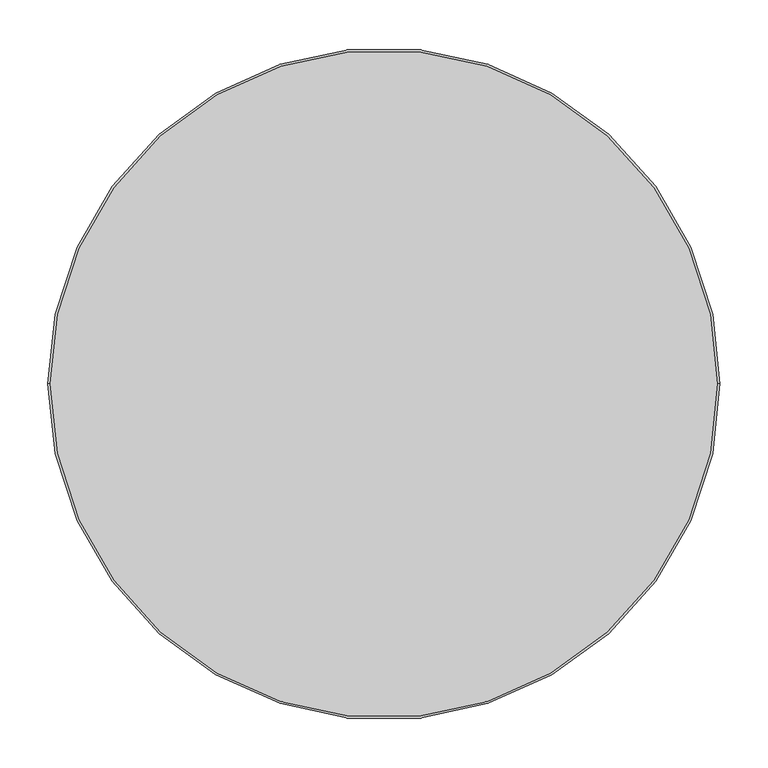
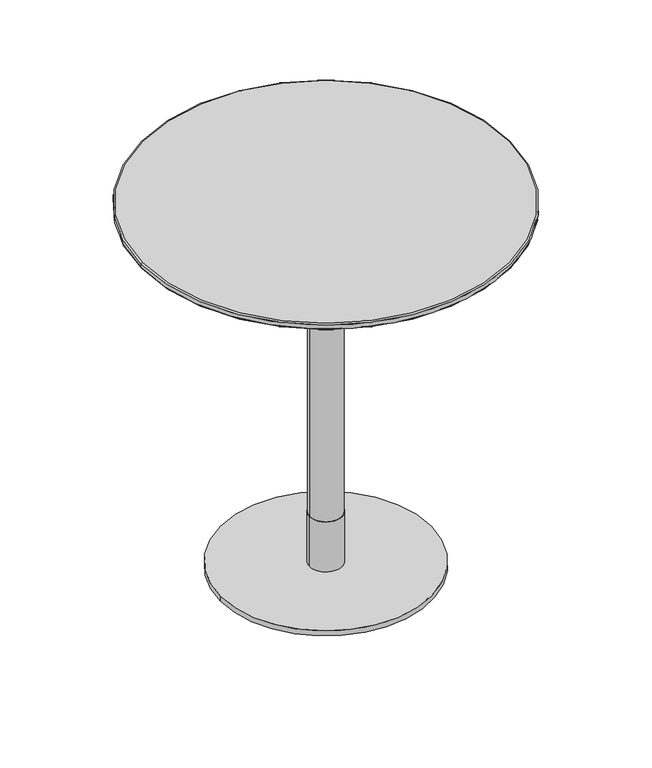
"""IFC4 building model written with IfcOpenShell, lengths in millimetres: furniture geometry."""

from ifc_helpers import new_model, si_unit, point, frame, origin, origin_with_axes, origin_2d, place, context, project, spatial, polyline, circle_curve, ellipse_curve, trimmed, segment, composite_curve, outline, extrude, source, transform, mapped, element, save
from ifc_brep_helpers import plane_surface, cylinder_surface, revolved_surface, advanced_brep


def furniture_d5dfe85c(model_context):
    return source(origin(), model_context, "Body", "SolidModel", [
        advanced_brep(
        [(348.6840403, 0.0, 718.2400004), (350.0, 0.0, 720.1193857), (-350.0, 0.0, 720.1193857), (-348.6840403, 0.0, 718.2400004), (350.0, 0.0, 728.0), (348.0, 0.0, 730.0), (-348.0, 0.0, 730.0), (-350.0, 0.0, 728.0)],
        [
            (0, 1, circle_curve(frame((348.0, 0.0, 720.1193857), z_axis=(0.0, -1.0, 0.0), x_axis=(-1.0, 0.0, 0.0)), 2.0)),
            (1, 2, circle_curve(frame((0.0, 0.0, 720.1193857), z_axis=(0.0, 0.0, -1.0), x_axis=(-1.0, 0.0, 0.0)), 350.0)),
            (2, 3, circle_curve(frame((-348.0, 0.0, 720.1193857), z_axis=(0.0, -1.0, 0.0), x_axis=(1.0, 0.0, 0.0)), 2.0)),
            (3, 0, circle_curve(frame((0.0, 0.0, 718.2400004), z_axis=(0.0, 0.0, 1.0), x_axis=(-1.0, 0.0, 0.0)), 348.6840403)),
            (4, 5, circle_curve(frame((348.0, 0.0, 728.0), z_axis=(0.0, -1.0, 0.0), x_axis=(-1.0, 0.0, 0.0)), 2.0)),
            (5, 6, circle_curve(frame((0.0, 0.0, 730.0), z_axis=(0.0, 0.0, -1.0), x_axis=(-1.0, 0.0, 0.0)), 348.0)),
            (6, 7, circle_curve(frame((-348.0, 0.0, 728.0), z_axis=(0.0, -1.0, 0.0), x_axis=(1.0, 0.0, 0.0)), 2.0)),
            (7, 4, circle_curve(frame((0.0, 0.0, 728.0), z_axis=(0.0, 0.0, 1.0), x_axis=(-1.0, 0.0, 0.0)), 350.0)),
            (0, 3, circle_curve(frame((0.0, 0.0, 718.2400004), z_axis=(0.0, 0.0, 1.0), x_axis=(1.0, 0.0, 0.0)), 348.6840403)),
            (2, 1, circle_curve(frame((0.0, 0.0, 720.1193857), z_axis=(0.0, 0.0, -1.0), x_axis=(1.0, 0.0, 0.0)), 350.0)),
            (4, 7, circle_curve(frame((0.0, 0.0, 728.0), z_axis=(0.0, 0.0, 1.0), x_axis=(1.0, 0.0, 0.0)), 350.0)),
            (6, 5, circle_curve(frame((0.0, 0.0, 730.0), z_axis=(0.0, 0.0, -1.0), x_axis=(1.0, 0.0, 0.0)), 348.0)),
            (7, 2),
            (1, 4),
        ],
        [
            revolved_surface(trimmed(ellipse_curve(frame((-348.0, 0.0, 720.1193857), z_axis=(0.0, 1.0, 0.0), x_axis=(1.0, 0.0, 0.0)), 2.0, 2.0), [point((-348.6840403, 0.0, 718.2400004))], [point((-350.0, 0.0, 720.1193857))], True, "CARTESIAN"), (0.0, 0.0, 0.0), (0.0, 0.0, 1.0)),
            revolved_surface(trimmed(ellipse_curve(frame((-348.0, 0.0, 728.0), z_axis=(0.0, 1.0, 0.0), x_axis=(1.0, 0.0, 0.0)), 2.0, 2.0), [point((-350.0, 0.0, 728.0))], [point((-348.0, 0.0, 730.0))], True, "CARTESIAN"), (0.0, 0.0, 0.0), (0.0, 0.0, 1.0)),
            revolved_surface(trimmed(ellipse_curve(frame((348.0, 0.0, 720.1193857), z_axis=(0.0, -1.0, 0.0), x_axis=(-1.0, 0.0, 0.0)), 2.0, 2.0), [point((348.6840403, 0.0, 718.2400004))], [point((350.0, 0.0, 720.1193857))], True, "CARTESIAN"), (0.0, 0.0, 0.0), (0.0, 0.0, 1.0)),
            revolved_surface(trimmed(ellipse_curve(frame((348.0, 0.0, 728.0), z_axis=(0.0, -1.0, 0.0), x_axis=(-1.0, 0.0, 0.0)), 2.0, 2.0), [point((350.0, 0.0, 728.0))], [point((348.0, 0.0, 730.0))], True, "CARTESIAN"), (0.0, 0.0, 0.0), (0.0, 0.0, 1.0)),
            plane_surface(frame((350.0, 0.0, 730.0), z_axis=(0.0, 0.0, 1.0), x_axis=(0.0, 1.0, 0.0))),
            plane_surface(frame((350.0, 0.0, 718.2400004), z_axis=(0.0, 0.0, -1.0), x_axis=(0.0, -1.0, 0.0))),
            cylinder_surface(frame((0.0, 0.0, 718.2400004), z_axis=(0.0, 0.0, 1.0), x_axis=(1.0, 0.0, 0.0)), 350.0),
        ],
        [
            (0, [[1, 2, 3, 4]]),
            (1, [[5, 6, 7, 8]]),
            (2, [[-1, 9, -3, 10]]),
            (3, [[-5, 11, -7, 12]]),
            (4, [[-6, -12]]),
            (5, [[-4, -9]]),
            (6, [[13, -2, 14, -8]]),
            (6, [[-13, -11, -14, -10]]),
        ],
    ),
        advanced_brep(
        [(-348.6840403, 0.0, 718.2400004), (348.6840403, 0.0, 718.2400004), (-300.0, 0.0, 707.7932619), (300.0, 0.0, 707.7932619)],
        [
            (0, 1, circle_curve(frame((0.0, 0.0, 718.2400004), z_axis=(0.0, 0.0, 1.0), x_axis=(-1.0, 0.0, 0.0)), 348.6840403)),
            (1, 0, circle_curve(frame((0.0, 0.0, 718.2400004), z_axis=(0.0, 0.0, 1.0), x_axis=(1.0, 0.0, 0.0)), 348.6840403)),
            (2, 3, circle_curve(frame((0.0, 0.0, 707.7932619), z_axis=(0.0, 0.0, -1.0), x_axis=(1.0, 0.0, 0.0)), 300.0)),
            (3, 2, circle_curve(frame((0.0, 0.0, 707.7932619), z_axis=(0.0, 0.0, -1.0), x_axis=(-1.0, 0.0, 0.0)), 300.0)),
            (3, 1),
            (0, 2),
        ],
        [
            plane_surface(frame((0.0, 0.0, 718.2400004), z_axis=(0.0, 0.0, 1.0), x_axis=(0.0, -1.0, 0.0))),
            plane_surface(frame((0.0, 0.0, 707.7932619), z_axis=(0.0, 0.0, -1.0), x_axis=(0.0, -1.0, 0.0))),
            revolved_surface(polyline([(299.9999998753789, 0.0, 707.7932619), (348.6840403, 0.0, 718.2400004)]), (0.0, 0.0, 643.4185403), (0.0, 0.0, 1.0)),
            revolved_surface(polyline([(-299.9999998753789, 0.0, 707.7932619), (-348.6840403, 0.0, 718.2400004)]), (0.0, 0.0, 643.4185403), (0.0, 0.0, 1.0)),
        ],
        [
            (0, [[1, 2]]),
            (1, [[3, 4]]),
            (2, [[-4, 5, -1, 6]]),
            (3, [[-3, -6, -2, -5]]),
        ],
    ),
        extrude(outline(polyline([(175.0000945, 174.9403258), (175.0000945, -175.0598632), (-175.0000945, -175.0598632), (-175.0000945, 174.9403258), (175.0000945, 174.9403258)])), frame((0.0, 0.0, 702.7932592), z_axis=(0.0, 0.0, 1.0), x_axis=(1.0, 0.0, 0.0)), (0.0, 0.0, 1.0), 5.0000027),
        extrude(outline(composite_curve([segment(trimmed(circle_curve(origin_2d(), 31.0), [point((-31.0, 0.0))], [point((31.0, 0.0))], False, "CARTESIAN"), True, "CONTINUOUS"), segment(trimmed(circle_curve(origin_2d(), 31.0), [point((31.0, 0.0))], [point((-31.0, 0.0))], False, "CARTESIAN"), True, "CONTINUOUS")], self_intersect=False)), frame((0.0, 0.0, 602.7932663), z_axis=(0.0, 0.0, 1.0), x_axis=(1.0, 0.0, 0.0)), (0.0, 0.0, 1.0), 99.999993),
        extrude(outline(composite_curve([segment(trimmed(circle_curve(origin_2d(), 30.0), [point((-30.0, 0.0))], [point((30.0, 0.0))], False, "CARTESIAN"), True, "CONTINUOUS"), segment(trimmed(circle_curve(origin_2d(), 30.0), [point((30.0, 0.0))], [point((-30.0, 0.0))], False, "CARTESIAN"), True, "CONTINUOUS")], self_intersect=False)), frame((0.0, 0.0, 110.0016526), z_axis=(0.0, 0.0, 1.0), x_axis=(1.0, 0.0, 0.0)), (0.0, 0.0, 1.0), 492.7916137),
        extrude(outline(composite_curve([segment(trimmed(circle_curve(origin_2d(), 31.0), [point((-31.0, 0.0))], [point((31.0, 0.0))], False, "CARTESIAN"), True, "CONTINUOUS"), segment(trimmed(circle_curve(origin_2d(), 31.0), [point((31.0, 0.0))], [point((-31.0, 0.0))], False, "CARTESIAN"), True, "CONTINUOUS")], self_intersect=False)), frame((0.0, 0.0, 10.0000044), z_axis=(0.0, 0.0, 1.0), x_axis=(1.0, 0.0, 0.0)), (0.0, 0.0, 1.0), 100.0016481),
        extrude(outline(composite_curve([segment(trimmed(circle_curve(origin_2d(), 200.0), [point((-200.0, 0.0))], [point((200.0, 0.0))], False, "CARTESIAN"), True, "CONTINUOUS"), segment(trimmed(circle_curve(origin_2d(), 200.0), [point((200.0, 0.0))], [point((-200.0, 0.0))], False, "CARTESIAN"), True, "CONTINUOUS")], self_intersect=False)), origin_with_axes(), (0.0, 0.0, 1.0), 10.0000044),
    ])


if __name__ == "__main__":
    model = new_model("IFC4")
    model_context = context("Model", 3, world=origin())
    ifc_project = project(units=[si_unit("LENGTHUNIT", "METRE", prefix="MILLI")], contexts=[model_context])
    site = spatial("IfcSite", under=ifc_project)
    building = spatial("IfcBuilding", under=site)
    placement = place(None, origin())
    furniture_shape = furniture_d5dfe85c(model_context)
    element("IfcFurniture", 1, at=placement, inside=building, context=model_context, shape_type="MappedRepresentation", body=[
        mapped(furniture_shape, transform((0.0, 0.0, 0.0), x_axis=(1.0, 0.0, 0.0), y_axis=(0.0, 1.0, 0.0), z_axis=(0.0, 0.0, 1.0))),
    ])
    save(model, "model.ifc")
